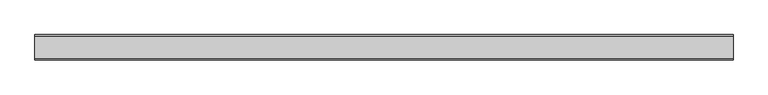
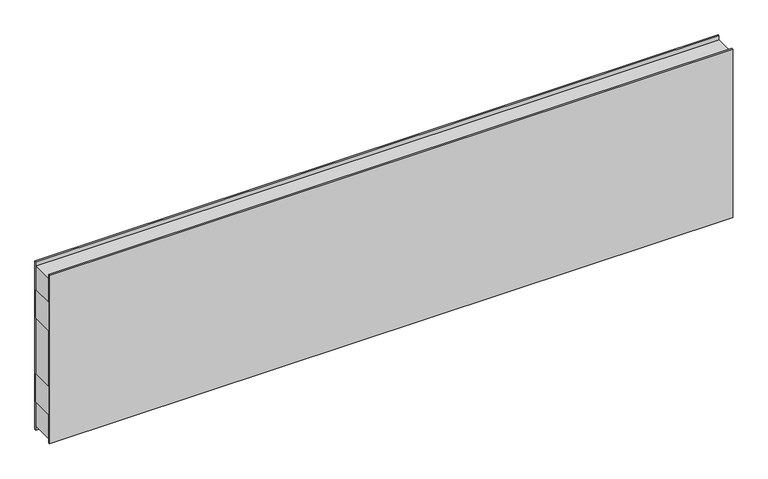
"""IFC4 building model written with IfcOpenShell, lengths in millimetres: plate geometry."""

from ifc_helpers import new_model, si_unit, frame, origin, origin_with_axes, place, context, project, spatial, polyline, outline, extrude, source, transform, mapped, element, save


def plate_01f72880(model_context):
    return source(origin(), model_context, "Body", "SweptSolid", [
        extrude(outline(polyline([(-1151.889256, -37.5), (-1151.889256, 37.5), (1151.889256, 37.5), (1151.889256, -37.5), (-1151.889256, -37.5)])), frame((0.0, 0.0, 400.0), z_axis=(0.0, 0.0, 1.0), x_axis=(1.0, 0.0, 0.0)), (0.0, 0.0, 1.0), 100.0),
        extrude(outline(polyline([(-1151.889256, -37.5), (-1151.889256, 37.5), (1151.889256, 37.5), (1151.889256, -37.5), (-1151.889256, -37.5)])), frame((0.0, 0.0, 100.0), z_axis=(0.0, 0.0, 1.0), x_axis=(1.0, 0.0, 0.0)), (0.0, 0.0, 1.0), 100.0),
        extrude(outline(polyline([(-1151.889256, -42.0), (-1151.889256, -37.5), (1151.889256, -37.5), (1151.889256, -42.0), (-1151.889256, -42.0)])), origin_with_axes(), (0.0, 0.0, 1.0), 600.0),
        extrude(outline(polyline([(-1151.889256, 37.5), (-1151.889256, 42.0), (1151.889256, 42.0), (1151.889256, 37.5), (-1151.889256, 37.5)])), origin_with_axes(), (0.0, 0.0, 1.0), 600.0),
        extrude(outline(polyline([(1151.889256, 37.5), (1151.889256, -37.5), (-1151.889256, -37.5), (-1151.889256, 37.5), (1151.889256, 37.5)])), frame((0.0, 0.0, 500.0), z_axis=(0.0, 0.0, 1.0), x_axis=(1.0, 0.0, 0.0)), (0.0, 0.0, 1.0), 85.0),
        extrude(outline(polyline([(1151.889256, 37.5), (1151.889256, -37.5), (-1151.889256, -37.5), (-1151.889256, 37.5), (1151.889256, 37.5)])), frame((0.0, 0.0, 15.0), z_axis=(0.0, 0.0, 1.0), x_axis=(1.0, 0.0, 0.0)), (0.0, 0.0, 1.0), 85.0),
        extrude(outline(polyline([(1151.889256, 37.5), (1151.889256, -37.5), (-1151.889256, -37.5), (-1151.889256, 37.5), (1151.889256, 37.5)])), frame((0.0, 0.0, 200.0), z_axis=(0.0, 0.0, 1.0), x_axis=(1.0, 0.0, 0.0)), (0.0, 0.0, 1.0), 200.0),
    ])


if __name__ == "__main__":
    model = new_model("IFC4")
    model_context = context("Model", 3, world=origin())
    ifc_project = project(units=[si_unit("LENGTHUNIT", "METRE", prefix="MILLI")], contexts=[model_context])
    site = spatial("IfcSite", under=ifc_project)
    building = spatial("IfcBuilding", under=site)
    placement = place(None, origin())
    plate_shape = plate_01f72880(model_context)
    element("IfcPlate", 1, at=placement, inside=building, context=model_context, shape_type="MappedRepresentation", body=[
        mapped(plate_shape, transform((0.0, 0.0, 0.0), x_axis=(1.0, 0.0, 0.0), y_axis=(0.0, 1.0, 0.0), z_axis=(0.0, 0.0, 1.0))),
    ])
    save(model, "model.ifc")
